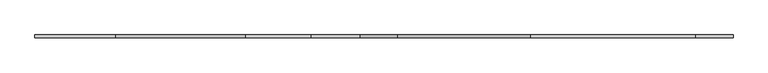
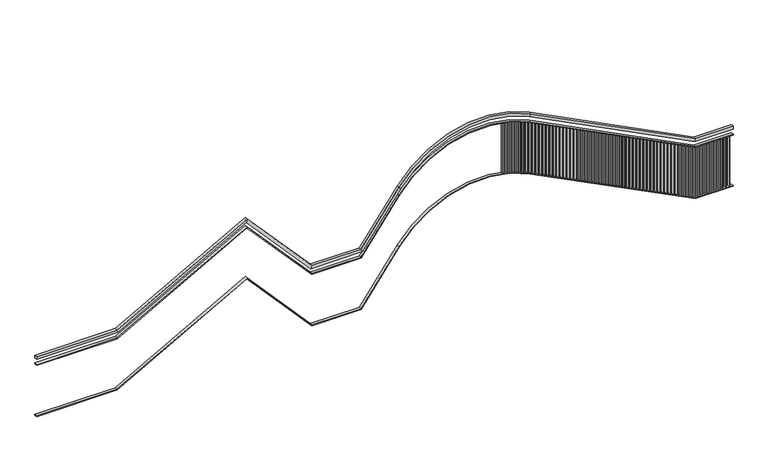
"""IFC4 building model written with IfcOpenShell, lengths in millimetres: railing geometry."""

from ifc_helpers import new_model, si_unit, frame, origin, place, context, project, spatial, polyline, circle_curve, outline, extrude, source, transform, mapped, element, save
from ifc_brep_helpers import plane_surface, cylinder_surface, revolved_surface, advanced_brep


def railing_bb928d6f(model_context):
    return source(origin(), model_context, "Body", "SolidModel", [
        advanced_brep(
        [(9000.0, 1210.0, 2000.0), (9000.0, 1250.0, 2000.0), (9000.0, 1250.0, 1960.0), (9000.0, 1210.0, 1960.0), (10155.0, 1210.0, 2000.0), (10155.0, 1250.0, 2000.0), (10165.3447034, 1250.0, 1960.0), (10165.3447034, 1210.0, 1960.0), (12021.9729306, 1210.0, 3034.8799943), (12021.9729306, 1250.0, 3034.8799943), (12013.5371583, 1250.0, 2984.4698066), (12013.5371583, 1210.0, 2984.4698066), (12953.7830628, 1210.0, 2000.0), (12953.7830628, 1250.0, 2000.0), (12935.9739154, 1250.0, 1960.0), (12935.9739154, 1210.0, 1960.0), (13653.7830628, 1210.0, 2000.0), (13653.7830628, 1250.0, 2000.0), (13674.1640808, 1250.0, 1960.0), (13674.1640808, 1210.0, 1960.0), (14199.2002139, 1210.0, 2750.7023058), (14199.2002139, 1250.0, 2750.7023058), (14231.5608936, 1250.0, 2727.1908957), (14231.5608936, 1210.0, 2727.1908957), (16093.711455, 1250.0, 3205.5342136), (16093.711455, 1210.0, 3205.5342136), (16075.551835, 1250.0, 3169.8939527), (16075.551835, 1210.0, 3169.8939527), (18459.7055674, 1210.0, 2000.0), (18459.7055674, 1250.0, 2000.0), (18450.1024171, 1250.0, 1960.0), (18450.1024171, 1210.0, 1960.0), (19000.0, 1210.0, 2000.0), (19000.0, 1210.0, 1960.0), (19000.0, 1250.0, 1960.0), (19000.0, 1250.0, 2000.0)],
        [
            (0, 1),
            (1, 2),
            (2, 3),
            (3, 0),
            (0, 4),
            (4, 5),
            (5, 1),
            (5, 6),
            (6, 2),
            (6, 7),
            (7, 3),
            (7, 4),
            (4, 8),
            (8, 9),
            (9, 5),
            (9, 10),
            (10, 6),
            (10, 11),
            (11, 7),
            (11, 8),
            (8, 12),
            (12, 13),
            (13, 9),
            (13, 14),
            (14, 10),
            (14, 15),
            (15, 11),
            (15, 12),
            (12, 16),
            (16, 17),
            (17, 13),
            (17, 18),
            (18, 14),
            (18, 19),
            (19, 15),
            (19, 16),
            (16, 20),
            (20, 21),
            (21, 17),
            (21, 22),
            (22, 18),
            (22, 23),
            (23, 19),
            (23, 20),
            (24, 21, circle_curve(frame((15412.7257054, 1250.0, 1869.0244273), z_axis=(0.0, -1.0, 0.0), x_axis=(-0.8090169943749365, 0.0, 0.5877852522924882)), 1500.0)),
            (20, 25, circle_curve(frame((15412.7257054, 1210.0, 1869.0244273), z_axis=(0.0, 1.0, 0.0), x_axis=(-0.8090169943749365, 0.0, 0.5877852522924882)), 1500.0)),
            (25, 24),
            (26, 22, circle_curve(frame((15412.7257054, 1250.0, 1869.0244273), z_axis=(0.0, -1.0, 0.0), x_axis=(-0.8090169943749365, 0.0, 0.5877852522924882)), 1460.0)),
            (24, 26),
            (27, 23, circle_curve(frame((15412.7257054, 1210.0, 1869.0244273), z_axis=(0.0, -1.0, 0.0), x_axis=(-0.8090169943749365, 0.0, 0.5877852522924882)), 1460.0)),
            (26, 27),
            (27, 25),
            (25, 28),
            (28, 29),
            (29, 24),
            (29, 30),
            (30, 26),
            (30, 31),
            (31, 27),
            (31, 28),
            (32, 33),
            (33, 34),
            (34, 35),
            (35, 32),
            (28, 32),
            (35, 29),
            (34, 30),
            (33, 31),
        ],
        [
            plane_surface(frame((9000.0, 1230.0, 2000.0), z_axis=(-1.0, 0.0, 0.0), x_axis=(0.0, 1.0, 0.0))),
            plane_surface(frame((9000.0, 1210.0, 2000.0), z_axis=(0.0, 0.0, 1.0), x_axis=(1.0, 0.0, 0.0))),
            plane_surface(frame((9000.0, 1250.0, 2000.0), z_axis=(0.0, 1.0, 0.0), x_axis=(1.0, 0.0, 0.0))),
            plane_surface(frame((9000.0, 1250.0, 1960.0), z_axis=(0.0, 0.0, -1.0), x_axis=(1.0, 0.0, 0.0))),
            plane_surface(frame((9000.0, 1210.0, 1960.0), z_axis=(0.0, -1.0, 0.0), x_axis=(1.0, 0.0, 0.0))),
            plane_surface(frame((10155.0, 1210.0, 2000.0), z_axis=(-0.48480962024633895, 0.0, 0.8746197071393947), x_axis=(0.8746197071393947, 0.0, 0.48480962024633895))),
            plane_surface(frame((10155.0, 1250.0, 2000.0), z_axis=(0.0, 1.0, 0.0), x_axis=(0.8746197071393949, 0.0, 0.4848096202463388))),
            plane_surface(frame((10165.3447034, 1250.0, 1960.0), z_axis=(0.48480962024633895, 0.0, -0.8746197071393947), x_axis=(0.8746197071393947, 0.0, 0.48480962024633895))),
            plane_surface(frame((10165.3447034, 1210.0, 1960.0), z_axis=(0.0, -1.0000000000000002, 0.0), x_axis=(0.8746197071393947, 0.0, 0.48480962024633906))),
            plane_surface(frame((12021.9729306, 1210.0, 3034.8799943), z_axis=(0.7431448254773932, 0.0, 0.6691306063588593), x_axis=(0.6691306063588593, 0.0, -0.7431448254773932))),
            plane_surface(frame((12021.9729306, 1250.0, 3034.8799943), z_axis=(0.0, 1.0, 0.0), x_axis=(0.6691306063588593, 0.0, -0.7431448254773932))),
            plane_surface(frame((12013.5371583, 1250.0, 2984.4698066), z_axis=(-0.7431448254773941, 0.0, -0.6691306063588585), x_axis=(0.6691306063588585, 0.0, -0.7431448254773941))),
            plane_surface(frame((12013.5371583, 1210.0, 2984.4698066), z_axis=(0.0, -1.0000000000000002, 0.0), x_axis=(0.6691306063588593, 0.0, -0.7431448254773934))),
            plane_surface(frame((12953.7830628, 1210.0, 2000.0), z_axis=(0.0, 0.0, 1.0), x_axis=(1.0, 0.0, 0.0))),
            plane_surface(frame((12953.7830628, 1250.0, 2000.0), z_axis=(0.0, 1.0, 0.0), x_axis=(1.0, 0.0, 0.0))),
            plane_surface(frame((12935.9739154, 1250.0, 1960.0), z_axis=(0.0, 0.0, -1.0), x_axis=(1.0, 0.0, 0.0))),
            plane_surface(frame((12935.9739154, 1210.0, 1960.0), z_axis=(0.0, -1.0, 0.0), x_axis=(1.0, 0.0, 0.0))),
            plane_surface(frame((13653.7830628, 1210.0, 2000.0), z_axis=(-0.8090169943749481, 0.0, 0.5877852522924724), x_axis=(0.5877852522924724, 0.0, 0.8090169943749481))),
            plane_surface(frame((13653.7830628, 1250.0, 2000.0), z_axis=(0.0, 1.0, 0.0), x_axis=(0.5877852522924721, 0.0, 0.8090169943749481))),
            plane_surface(frame((13674.1640808, 1250.0, 1960.0), z_axis=(0.8090169943749488, 0.0, -0.5877852522924712), x_axis=(0.5877852522924712, 0.0, 0.8090169943749488))),
            plane_surface(frame((13674.1640808, 1210.0, 1960.0), z_axis=(0.0, -1.0, 0.0), x_axis=(0.5877852522924726, 0.0, 0.8090169943749478))),
            cylinder_surface(frame((15412.7257054, 1230.0, 1869.0244273), z_axis=(0.0, 1.0, 0.0), x_axis=(-0.8090169943749365, 0.0, 0.5877852522924882)), 1500.0),
            plane_surface(frame((15412.7257054, 1250.0, 1869.0244273), z_axis=(0.0, 1.0, 0.0), x_axis=(-0.8090169943749365, 0.0, 0.5877852522924882))),
            revolved_surface(polyline([(14231.560893612594, 1250.0, 2727.190895647033), (14231.560893612594, 1210.0, 2727.190895647033)]), (15412.7257054, 1230.0, 1869.0244273), (0.0, 1.0, 0.0)),
            plane_surface(frame((15412.7257054, 1210.0, 1869.0244273), z_axis=(0.0, -1.0, 0.0), x_axis=(-0.8090169943749365, 0.0, 0.5877852522924882))),
            plane_surface(frame((16093.711455, 1210.0, 3205.5342136), z_axis=(0.4539904997395483, 0.0, 0.8910065241883671), x_axis=(0.8910065241883671, 0.0, -0.4539904997395483))),
            plane_surface(frame((16093.711455, 1250.0, 3205.5342136), z_axis=(0.0, 1.0000000000000002, 0.0), x_axis=(0.8910065241883672, 0.0, -0.4539904997395482))),
            plane_surface(frame((16075.551835, 1250.0, 3169.8939527), z_axis=(-0.45399049973954847, 0.0, -0.891006524188367), x_axis=(0.891006524188367, 0.0, -0.45399049973954847))),
            plane_surface(frame((16075.551835, 1210.0, 3169.8939527), z_axis=(0.0, -1.0, 0.0), x_axis=(0.891006524188367, 0.0, -0.45399049973954847))),
            plane_surface(frame((19000.0, 1230.0, 2000.0), z_axis=(1.0, 0.0, 0.0), x_axis=(0.0, 1.0, 0.0))),
            plane_surface(frame((18459.7055674, 1210.0, 2000.0), z_axis=(0.0, 0.0, 1.0), x_axis=(1.0, 0.0, 0.0))),
            plane_surface(frame((18459.7055674, 1250.0, 2000.0), z_axis=(0.0, 1.0, 0.0), x_axis=(1.0, 0.0, 0.0))),
            plane_surface(frame((18450.1024171, 1250.0, 1960.0), z_axis=(0.0, 0.0, -1.0), x_axis=(1.0, 0.0, 0.0))),
            plane_surface(frame((18450.1024171, 1210.0, 1960.0), z_axis=(0.0, -1.0, 0.0), x_axis=(1.0, 0.0, 0.0))),
        ],
        [
            (0, [[1, 2, 3, 4]]),
            (1, [[-1, 5, 6, 7]]),
            (2, [[-2, -7, 8, 9]]),
            (3, [[-3, -9, 10, 11]]),
            (4, [[-4, -11, 12, -5]]),
            (5, [[-6, 13, 14, 15]]),
            (6, [[-8, -15, 16, 17]]),
            (7, [[-10, -17, 18, 19]]),
            (8, [[-12, -19, 20, -13]]),
            (9, [[-14, 21, 22, 23]]),
            (10, [[-16, -23, 24, 25]]),
            (11, [[-18, -25, 26, 27]]),
            (12, [[-20, -27, 28, -21]]),
            (13, [[-22, 29, 30, 31]]),
            (14, [[-24, -31, 32, 33]]),
            (15, [[-26, -33, 34, 35]]),
            (16, [[-28, -35, 36, -29]]),
            (17, [[-30, 37, 38, 39]]),
            (18, [[-32, -39, 40, 41]]),
            (19, [[-34, -41, 42, 43]]),
            (20, [[-36, -43, 44, -37]]),
            (21, [[45, -38, 46, 47]]),
            (22, [[48, -40, -45, 49]]),
            (23, [[50, -42, -48, 51]]),
            (24, [[-46, -44, -50, 52]]),
            (25, [[-47, 53, 54, 55]]),
            (26, [[-49, -55, 56, 57]]),
            (27, [[-51, -57, 58, 59]]),
            (28, [[-52, -59, 60, -53]]),
            (29, [[61, 62, 63, 64]]),
            (30, [[-54, 65, -64, 66]]),
            (31, [[-56, -66, -63, 67]]),
            (32, [[-58, -67, -62, 68]]),
            (33, [[-60, -68, -61, -65]]),
        ],
    ),
        advanced_brep(
        [(9000.0, 1210.0, 1880.0), (9000.0, 1250.0, 1880.0), (9000.0, 1250.0, 1870.0), (9000.0, 1210.0, 1870.0), (10155.0, 1210.0, 1880.0), (10155.0, 1250.0, 1880.0), (10157.5861758, 1250.0, 1870.0), (10157.5861758, 1210.0, 1870.0), (12021.9729306, 1210.0, 2914.8799943), (12021.9729306, 1250.0, 2914.8799943), (12019.8639876, 1250.0, 2902.2774474), (12019.8639876, 1210.0, 2902.2774474), (12953.7830628, 1210.0, 1880.0), (12953.7830628, 1250.0, 1880.0), (12949.330776, 1250.0, 1870.0), (12949.330776, 1210.0, 1870.0), (13653.7830628, 1210.0, 1880.0), (13653.7830628, 1250.0, 1880.0), (13658.8783173, 1250.0, 1870.0), (13658.8783173, 1210.0, 1870.0), (14199.2002139, 1210.0, 2630.7023058), (14199.2002139, 1250.0, 2630.7023058), (14207.2903838, 1250.0, 2624.8244533), (14207.2903838, 1210.0, 2624.8244533), (16093.711455, 1250.0, 3085.5342136), (16093.711455, 1210.0, 3085.5342136), (16089.17155, 1250.0, 3076.6241484), (16089.17155, 1210.0, 3076.6241484), (18459.7055674, 1210.0, 1880.0), (18459.7055674, 1250.0, 1880.0), (18457.3047798, 1250.0, 1870.0), (18457.3047798, 1210.0, 1870.0), (19000.0, 1210.0, 1880.0), (19000.0, 1210.0, 1870.0), (19000.0, 1250.0, 1870.0), (19000.0, 1250.0, 1880.0)],
        [
            (0, 1),
            (1, 2),
            (2, 3),
            (3, 0),
            (0, 4),
            (4, 5),
            (5, 1),
            (5, 6),
            (6, 2),
            (6, 7),
            (7, 3),
            (7, 4),
            (4, 8),
            (8, 9),
            (9, 5),
            (9, 10),
            (10, 6),
            (10, 11),
            (11, 7),
            (11, 8),
            (8, 12),
            (12, 13),
            (13, 9),
            (13, 14),
            (14, 10),
            (14, 15),
            (15, 11),
            (15, 12),
            (12, 16),
            (16, 17),
            (17, 13),
            (17, 18),
            (18, 14),
            (18, 19),
            (19, 15),
            (19, 16),
            (16, 20),
            (20, 21),
            (21, 17),
            (21, 22),
            (22, 18),
            (22, 23),
            (23, 19),
            (23, 20),
            (24, 21, circle_curve(frame((15412.7257054, 1250.0, 1749.0244273), z_axis=(0.0, -1.0, 0.0), x_axis=(-0.8090169943749365, 0.0, 0.5877852522924882)), 1500.0)),
            (20, 25, circle_curve(frame((15412.7257054, 1210.0, 1749.0244273), z_axis=(0.0, 1.0, 0.0), x_axis=(-0.8090169943749365, 0.0, 0.5877852522924882)), 1500.0)),
            (25, 24),
            (26, 22, circle_curve(frame((15412.7257054, 1250.0, 1749.0244273), z_axis=(0.0, -1.0, 0.0), x_axis=(-0.8090169943749365, 0.0, 0.5877852522924882)), 1490.0)),
            (24, 26),
            (27, 23, circle_curve(frame((15412.7257054, 1210.0, 1749.0244273), z_axis=(0.0, -1.0, 0.0), x_axis=(-0.8090169943749365, 0.0, 0.5877852522924882)), 1490.0)),
            (26, 27),
            (27, 25),
            (25, 28),
            (28, 29),
            (29, 24),
            (29, 30),
            (30, 26),
            (30, 31),
            (31, 27),
            (31, 28),
            (32, 33),
            (33, 34),
            (34, 35),
            (35, 32),
            (28, 32),
            (35, 29),
            (34, 30),
            (33, 31),
        ],
        [
            plane_surface(frame((9000.0, 1230.0, 1880.0), z_axis=(-1.0, 0.0, 0.0), x_axis=(0.0, 1.0, 0.0))),
            plane_surface(frame((9000.0, 1210.0, 1880.0), z_axis=(0.0, 0.0, 1.0), x_axis=(1.0, 0.0, 0.0))),
            plane_surface(frame((9000.0, 1250.0, 1880.0), z_axis=(0.0, 1.0, 0.0), x_axis=(1.0, 0.0, 0.0))),
            plane_surface(frame((9000.0, 1250.0, 1870.0), z_axis=(0.0, 0.0, -1.0), x_axis=(1.0, 0.0, 0.0))),
            plane_surface(frame((9000.0, 1210.0, 1870.0), z_axis=(0.0, -1.0, 0.0), x_axis=(1.0, 0.0, 0.0))),
            plane_surface(frame((10155.0, 1210.0, 1880.0), z_axis=(-0.4848096202463389, 0.0, 0.8746197071393949), x_axis=(0.8746197071393949, 0.0, 0.4848096202463389))),
            plane_surface(frame((10155.0, 1250.0, 1880.0), z_axis=(0.0, 1.0, 0.0), x_axis=(0.8746197071393949, 0.0, 0.4848096202463388))),
            plane_surface(frame((10157.5861758, 1250.0, 1870.0), z_axis=(0.48480962024633883, 0.0, -0.8746197071393949), x_axis=(0.8746197071393949, 0.0, 0.48480962024633883))),
            plane_surface(frame((10157.5861758, 1210.0, 1870.0), z_axis=(0.0, -1.0, 0.0), x_axis=(0.8746197071393949, 0.0, 0.48480962024633883))),
            plane_surface(frame((12021.9729306, 1210.0, 2914.8799943), z_axis=(0.7431448254773936, 0.0, 0.669130606358859), x_axis=(0.669130606358859, 0.0, -0.7431448254773936))),
            plane_surface(frame((12021.9729306, 1250.0, 2914.8799943), z_axis=(0.0, 1.0, 0.0), x_axis=(0.669130606358859, 0.0, -0.7431448254773936))),
            plane_surface(frame((12019.8639876, 1250.0, 2902.2774474), z_axis=(-0.7431448254773929, 0.0, -0.6691306063588598), x_axis=(0.6691306063588598, 0.0, -0.7431448254773929))),
            plane_surface(frame((12019.8639876, 1210.0, 2902.2774474), z_axis=(0.0, -1.0, 0.0), x_axis=(0.66913060635886, 0.0, -0.7431448254773927))),
            plane_surface(frame((12953.7830628, 1210.0, 1880.0), z_axis=(0.0, 0.0, 1.0), x_axis=(1.0, 0.0, 0.0))),
            plane_surface(frame((12953.7830628, 1250.0, 1880.0), z_axis=(0.0, 1.0, 0.0), x_axis=(1.0, 0.0, 0.0))),
            plane_surface(frame((12949.330776, 1250.0, 1870.0), z_axis=(0.0, 0.0, -1.0), x_axis=(1.0, 0.0, 0.0))),
            plane_surface(frame((12949.330776, 1210.0, 1870.0), z_axis=(0.0, -1.0, 0.0), x_axis=(1.0, 0.0, 0.0))),
            plane_surface(frame((13653.7830628, 1210.0, 1880.0), z_axis=(-0.8090169943749481, 0.0, 0.5877852522924721), x_axis=(0.5877852522924721, 0.0, 0.8090169943749481))),
            plane_surface(frame((13653.7830628, 1250.0, 1880.0), z_axis=(0.0, 1.0, 0.0), x_axis=(0.5877852522924719, 0.0, 0.8090169943749482))),
            plane_surface(frame((13658.8783173, 1250.0, 1870.0), z_axis=(0.809016994374948, 0.0, -0.5877852522924725), x_axis=(0.5877852522924725, 0.0, 0.809016994374948))),
            plane_surface(frame((13658.8783173, 1210.0, 1870.0), z_axis=(0.0, -1.0, 0.0), x_axis=(0.5877852522924709, 0.0, 0.809016994374949))),
            cylinder_surface(frame((15412.7257054, 1230.0, 1749.0244273), z_axis=(0.0, 1.0, 0.0), x_axis=(-0.8090169943749365, 0.0, 0.5877852522924882)), 1500.0),
            plane_surface(frame((15412.7257054, 1250.0, 1749.0244273), z_axis=(0.0, 1.0, 0.0), x_axis=(-0.8090169943749365, 0.0, 0.5877852522924882))),
            revolved_surface(polyline([(14207.290383781345, 1250.0, 2624.824453215808), (14207.290383781345, 1210.0, 2624.824453215808)]), (15412.7257054, 1230.0, 1749.0244273), (0.0, 1.0, 0.0)),
            plane_surface(frame((15412.7257054, 1210.0, 1749.0244273), z_axis=(0.0, -1.0, 0.0), x_axis=(-0.8090169943749365, 0.0, 0.5877852522924882))),
            plane_surface(frame((16093.711455, 1210.0, 3085.5342136), z_axis=(0.4539904997395484, 0.0, 0.8910065241883671), x_axis=(0.8910065241883671, 0.0, -0.4539904997395484))),
            plane_surface(frame((16093.711455, 1250.0, 3085.5342136), z_axis=(0.0, 1.0, 0.0), x_axis=(0.8910065241883673, 0.0, -0.45399049973954786))),
            plane_surface(frame((16089.17155, 1250.0, 3076.6241484), z_axis=(-0.45399049973954847, 0.0, -0.8910065241883671), x_axis=(0.8910065241883671, 0.0, -0.45399049973954847))),
            plane_surface(frame((16089.17155, 1210.0, 3076.6241484), z_axis=(0.0, -1.0, 0.0), x_axis=(0.8910065241883669, 0.0, -0.4539904997395486))),
            plane_surface(frame((19000.0, 1230.0, 1880.0), z_axis=(1.0, 0.0, 0.0), x_axis=(0.0, 1.0, 0.0))),
            plane_surface(frame((18459.7055674, 1210.0, 1880.0), z_axis=(0.0, 0.0, 1.0), x_axis=(1.0, 0.0, 0.0))),
            plane_surface(frame((18459.7055674, 1250.0, 1880.0), z_axis=(0.0, 1.0, 0.0), x_axis=(1.0, 0.0, 0.0))),
            plane_surface(frame((18457.3047798, 1250.0, 1870.0), z_axis=(0.0, 0.0, -1.0), x_axis=(1.0, 0.0, 0.0))),
            plane_surface(frame((18457.3047798, 1210.0, 1870.0), z_axis=(0.0, -1.0, 0.0), x_axis=(1.0, 0.0, 0.0))),
        ],
        [
            (0, [[1, 2, 3, 4]]),
            (1, [[-1, 5, 6, 7]]),
            (2, [[-2, -7, 8, 9]]),
            (3, [[-3, -9, 10, 11]]),
            (4, [[-4, -11, 12, -5]]),
            (5, [[-6, 13, 14, 15]]),
            (6, [[-8, -15, 16, 17]]),
            (7, [[-10, -17, 18, 19]]),
            (8, [[-12, -19, 20, -13]]),
            (9, [[-14, 21, 22, 23]]),
            (10, [[-16, -23, 24, 25]]),
            (11, [[-18, -25, 26, 27]]),
            (12, [[-20, -27, 28, -21]]),
            (13, [[-22, 29, 30, 31]]),
            (14, [[-24, -31, 32, 33]]),
            (15, [[-26, -33, 34, 35]]),
            (16, [[-28, -35, 36, -29]]),
            (17, [[-30, 37, 38, 39]]),
            (18, [[-32, -39, 40, 41]]),
            (19, [[-34, -41, 42, 43]]),
            (20, [[-36, -43, 44, -37]]),
            (21, [[45, -38, 46, 47]]),
            (22, [[48, -40, -45, 49]]),
            (23, [[50, -42, -48, 51]]),
            (24, [[-46, -44, -50, 52]]),
            (25, [[-47, 53, 54, 55]]),
            (26, [[-49, -55, 56, 57]]),
            (27, [[-51, -57, 58, 59]]),
            (28, [[-52, -59, 60, -53]]),
            (29, [[61, 62, 63, 64]]),
            (30, [[-54, 65, -64, 66]]),
            (31, [[-56, -66, -63, 67]]),
            (32, [[-58, -67, -62, 68]]),
            (33, [[-60, -68, -61, -65]]),
        ],
    ),
        advanced_brep(
        [(9000.0, 1210.0, 1100.0), (9000.0, 1250.0, 1100.0), (9000.0, 1250.0, 1090.0), (9000.0, 1210.0, 1090.0), (10155.0, 1210.0, 1100.0), (10155.0, 1250.0, 1100.0), (10157.5861758, 1250.0, 1090.0), (10157.5861758, 1210.0, 1090.0), (12021.9729306, 1210.0, 2134.8799943), (12021.9729306, 1250.0, 2134.8799943), (12019.8639876, 1250.0, 2122.2774474), (12019.8639876, 1210.0, 2122.2774474), (12953.7830628, 1210.0, 1100.0), (12953.7830628, 1250.0, 1100.0), (12949.330776, 1250.0, 1090.0), (12949.330776, 1210.0, 1090.0), (13653.7830628, 1210.0, 1100.0), (13653.7830628, 1250.0, 1100.0), (13658.8783173, 1250.0, 1090.0), (13658.8783173, 1210.0, 1090.0), (14199.2002139, 1210.0, 1850.7023058), (14199.2002139, 1250.0, 1850.7023058), (14207.2903838, 1250.0, 1844.8244533), (14207.2903838, 1210.0, 1844.8244533), (16093.711455, 1250.0, 2305.5342136), (16093.711455, 1210.0, 2305.5342136), (16089.17155, 1250.0, 2296.6241484), (16089.17155, 1210.0, 2296.6241484), (18459.7055674, 1210.0, 1100.0), (18459.7055674, 1250.0, 1100.0), (18457.3047798, 1250.0, 1090.0), (18457.3047798, 1210.0, 1090.0), (19000.0, 1210.0, 1100.0), (19000.0, 1210.0, 1090.0), (19000.0, 1250.0, 1090.0), (19000.0, 1250.0, 1100.0)],
        [
            (0, 1),
            (1, 2),
            (2, 3),
            (3, 0),
            (0, 4),
            (4, 5),
            (5, 1),
            (5, 6),
            (6, 2),
            (6, 7),
            (7, 3),
            (7, 4),
            (4, 8),
            (8, 9),
            (9, 5),
            (9, 10),
            (10, 6),
            (10, 11),
            (11, 7),
            (11, 8),
            (8, 12),
            (12, 13),
            (13, 9),
            (13, 14),
            (14, 10),
            (14, 15),
            (15, 11),
            (15, 12),
            (12, 16),
            (16, 17),
            (17, 13),
            (17, 18),
            (18, 14),
            (18, 19),
            (19, 15),
            (19, 16),
            (16, 20),
            (20, 21),
            (21, 17),
            (21, 22),
            (22, 18),
            (22, 23),
            (23, 19),
            (23, 20),
            (24, 21, circle_curve(frame((15412.7257054, 1250.0, 969.0244273), z_axis=(0.0, -1.0, 0.0), x_axis=(-0.8090169943749365, 0.0, 0.5877852522924882)), 1500.0)),
            (20, 25, circle_curve(frame((15412.7257054, 1210.0, 969.0244273), z_axis=(0.0, 1.0, 0.0), x_axis=(-0.8090169943749365, 0.0, 0.5877852522924882)), 1500.0)),
            (25, 24),
            (26, 22, circle_curve(frame((15412.7257054, 1250.0, 969.0244273), z_axis=(0.0, -1.0, 0.0), x_axis=(-0.8090169943749365, 0.0, 0.5877852522924882)), 1490.0)),
            (24, 26),
            (27, 23, circle_curve(frame((15412.7257054, 1210.0, 969.0244273), z_axis=(0.0, -1.0, 0.0), x_axis=(-0.8090169943749365, 0.0, 0.5877852522924882)), 1490.0)),
            (26, 27),
            (27, 25),
            (25, 28),
            (28, 29),
            (29, 24),
            (29, 30),
            (30, 26),
            (30, 31),
            (31, 27),
            (31, 28),
            (32, 33),
            (33, 34),
            (34, 35),
            (35, 32),
            (28, 32),
            (35, 29),
            (34, 30),
            (33, 31),
        ],
        [
            plane_surface(frame((9000.0, 1230.0, 1100.0), z_axis=(-1.0, 0.0, 0.0), x_axis=(0.0, 1.0, 0.0))),
            plane_surface(frame((9000.0, 1210.0, 1100.0), z_axis=(0.0, 0.0, 1.0), x_axis=(1.0, 0.0, 0.0))),
            plane_surface(frame((9000.0, 1250.0, 1100.0), z_axis=(0.0, 1.0, 0.0), x_axis=(1.0, 0.0, 0.0))),
            plane_surface(frame((9000.0, 1250.0, 1090.0), z_axis=(0.0, 0.0, -1.0), x_axis=(1.0, 0.0, 0.0))),
            plane_surface(frame((9000.0, 1210.0, 1090.0), z_axis=(0.0, -1.0, 0.0), x_axis=(1.0, 0.0, 0.0))),
            plane_surface(frame((10155.0, 1210.0, 1100.0), z_axis=(-0.4848096202463389, 0.0, 0.8746197071393947), x_axis=(0.8746197071393947, 0.0, 0.4848096202463389))),
            plane_surface(frame((10155.0, 1250.0, 1100.0), z_axis=(0.0, 1.0, 0.0), x_axis=(0.8746197071393947, 0.0, 0.4848096202463389))),
            plane_surface(frame((10157.5861758, 1250.0, 1090.0), z_axis=(0.4848096202463389, 0.0, -0.8746197071393947), x_axis=(0.8746197071393947, 0.0, 0.4848096202463389))),
            plane_surface(frame((10157.5861758, 1210.0, 1090.0), z_axis=(0.0, -1.0, 0.0), x_axis=(0.8746197071393949, 0.0, 0.48480962024633883))),
            plane_surface(frame((12021.9729306, 1210.0, 2134.8799943), z_axis=(0.7431448254773931, 0.0, 0.6691306063588595), x_axis=(0.6691306063588595, 0.0, -0.7431448254773931))),
            plane_surface(frame((12021.9729306, 1250.0, 2134.8799943), z_axis=(0.0, 1.0, 0.0), x_axis=(0.6691306063588591, 0.0, -0.7431448254773935))),
            plane_surface(frame((12019.8639876, 1250.0, 2122.2774474), z_axis=(-0.7431448254773928, 0.0, -0.6691306063588599), x_axis=(0.6691306063588599, 0.0, -0.7431448254773928))),
            plane_surface(frame((12019.8639876, 1210.0, 2122.2774474), z_axis=(0.0, -1.0, 0.0), x_axis=(0.6691306063588591, 0.0, -0.7431448254773935))),
            plane_surface(frame((12953.7830628, 1210.0, 1100.0), z_axis=(0.0, 0.0, 1.0), x_axis=(1.0, 0.0, 0.0))),
            plane_surface(frame((12953.7830628, 1250.0, 1100.0), z_axis=(0.0, 1.0, 0.0), x_axis=(1.0, 0.0, 0.0))),
            plane_surface(frame((12949.330776, 1250.0, 1090.0), z_axis=(0.0, 0.0, -1.0), x_axis=(1.0, 0.0, 0.0))),
            plane_surface(frame((12949.330776, 1210.0, 1090.0), z_axis=(0.0, -1.0, 0.0), x_axis=(1.0, 0.0, 0.0))),
            plane_surface(frame((13653.7830628, 1210.0, 1100.0), z_axis=(-0.8090169943749486, 0.0, 0.5877852522924716), x_axis=(0.5877852522924716, 0.0, 0.8090169943749486))),
            plane_surface(frame((13653.7830628, 1250.0, 1100.0), z_axis=(0.0, 1.0, 0.0), x_axis=(0.5877852522924719, 0.0, 0.8090169943749483))),
            plane_surface(frame((13658.8783173, 1250.0, 1090.0), z_axis=(0.8090169943749491, 0.0, -0.5877852522924707), x_axis=(0.5877852522924707, 0.0, 0.8090169943749491))),
            plane_surface(frame((13658.8783173, 1210.0, 1090.0), z_axis=(0.0, -1.0, 0.0), x_axis=(0.5877852522924724, 0.0, 0.809016994374948))),
            cylinder_surface(frame((15412.7257054, 1230.0, 969.0244273), z_axis=(0.0, 1.0, 0.0), x_axis=(-0.8090169943749365, 0.0, 0.5877852522924882)), 1500.0),
            plane_surface(frame((15412.7257054, 1250.0, 969.0244273), z_axis=(0.0, 1.0, 0.0), x_axis=(-0.8090169943749365, 0.0, 0.5877852522924882))),
            revolved_surface(polyline([(14207.290383781345, 1250.0, 1844.8244532158074), (14207.290383781345, 1210.0, 1844.8244532158074)]), (15412.7257054, 1230.0, 969.0244273), (0.0, 1.0, 0.0)),
            plane_surface(frame((15412.7257054, 1210.0, 969.0244273), z_axis=(0.0, -1.0, 0.0), x_axis=(-0.8090169943749365, 0.0, 0.5877852522924882))),
            plane_surface(frame((16093.711455, 1210.0, 2305.5342136), z_axis=(0.45399049973954825, 0.0, 0.8910065241883672), x_axis=(0.8910065241883672, 0.0, -0.45399049973954825))),
            plane_surface(frame((16093.711455, 1250.0, 2305.5342136), z_axis=(0.0, 1.0000000000000002, 0.0), x_axis=(0.8910065241883671, 0.0, -0.4539904997395484))),
            plane_surface(frame((16089.17155, 1250.0, 2296.6241484), z_axis=(-0.4539904997395482, 0.0, -0.8910065241883671), x_axis=(0.8910065241883671, 0.0, -0.4539904997395482))),
            plane_surface(frame((16089.17155, 1210.0, 2296.6241484), z_axis=(0.0, -1.0, 0.0), x_axis=(0.891006524188367, 0.0, -0.4539904997395485))),
            plane_surface(frame((19000.0, 1230.0, 1100.0), z_axis=(1.0, 0.0, 0.0), x_axis=(0.0, 1.0, 0.0))),
            plane_surface(frame((18459.7055674, 1210.0, 1100.0), z_axis=(0.0, 0.0, 1.0), x_axis=(1.0, 0.0, 0.0))),
            plane_surface(frame((18459.7055674, 1250.0, 1100.0), z_axis=(0.0, 1.0, 0.0), x_axis=(1.0, 0.0, 0.0))),
            plane_surface(frame((18457.3047798, 1250.0, 1090.0), z_axis=(0.0, 0.0, -1.0), x_axis=(1.0, 0.0, 0.0))),
            plane_surface(frame((18457.3047798, 1210.0, 1090.0), z_axis=(0.0, -1.0, 0.0), x_axis=(1.0, 0.0, 0.0))),
        ],
        [
            (0, [[1, 2, 3, 4]]),
            (1, [[-1, 5, 6, 7]]),
            (2, [[-2, -7, 8, 9]]),
            (3, [[-3, -9, 10, 11]]),
            (4, [[-4, -11, 12, -5]]),
            (5, [[-6, 13, 14, 15]]),
            (6, [[-8, -15, 16, 17]]),
            (7, [[-10, -17, 18, 19]]),
            (8, [[-12, -19, 20, -13]]),
            (9, [[-14, 21, 22, 23]]),
            (10, [[-16, -23, 24, 25]]),
            (11, [[-18, -25, 26, 27]]),
            (12, [[-20, -27, 28, -21]]),
            (13, [[-22, 29, 30, 31]]),
            (14, [[-24, -31, 32, 33]]),
            (15, [[-26, -33, 34, 35]]),
            (16, [[-28, -35, 36, -29]]),
            (17, [[-30, 37, 38, 39]]),
            (18, [[-32, -39, 40, 41]]),
            (19, [[-34, -41, 42, 43]]),
            (20, [[-36, -43, 44, -37]]),
            (21, [[45, -38, 46, 47]]),
            (22, [[48, -40, -45, 49]]),
            (23, [[50, -42, -48, 51]]),
            (24, [[-46, -44, -50, 52]]),
            (25, [[-47, 53, 54, 55]]),
            (26, [[-49, -55, 56, 57]]),
            (27, [[-51, -57, 58, 59]]),
            (28, [[-52, -59, 60, -53]]),
            (29, [[61, 62, 63, 64]]),
            (30, [[-54, 65, -64, 66]]),
            (31, [[-56, -66, -63, 67]]),
            (32, [[-58, -67, -62, 68]]),
            (33, [[-60, -68, -61, -65]]),
        ],
    ),
        extrude(outline(polyline([(18945.0, 1210.0), (18945.0, 1250.0), (18955.0, 1250.0), (18955.0, 1210.0), (18945.0, 1210.0)])), frame((0.0, 0.0, 1100.0), z_axis=(0.0, 0.0, 1.0), x_axis=(1.0, 0.0, 0.0)), (0.0, 0.0, 1.0), 770.0),
        extrude(outline(polyline([(18895.0, 1210.0), (18895.0, 1250.0), (18905.0, 1250.0), (18905.0, 1210.0), (18895.0, 1210.0)])), frame((0.0, 0.0, 1100.0), z_axis=(0.0, 0.0, 1.0), x_axis=(1.0, 0.0, 0.0)), (0.0, 0.0, 1.0), 770.0),
        extrude(outline(polyline([(18845.0, 1210.0), (18845.0, 1250.0), (18855.0, 1250.0), (18855.0, 1210.0), (18845.0, 1210.0)])), frame((0.0, 0.0, 1100.0), z_axis=(0.0, 0.0, 1.0), x_axis=(1.0, 0.0, 0.0)), (0.0, 0.0, 1.0), 770.0),
        extrude(outline(polyline([(18795.0, 1210.0), (18795.0, 1250.0), (18805.0, 1250.0), (18805.0, 1210.0), (18795.0, 1210.0)])), frame((0.0, 0.0, 1100.0), z_axis=(0.0, 0.0, 1.0), x_axis=(1.0, 0.0, 0.0)), (0.0, 0.0, 1.0), 770.0),
        extrude(outline(polyline([(18745.0, 1210.0), (18745.0, 1250.0), (18755.0, 1250.0), (18755.0, 1210.0), (18745.0, 1210.0)])), frame((0.0, 0.0, 1100.0), z_axis=(0.0, 0.0, 1.0), x_axis=(1.0, 0.0, 0.0)), (0.0, 0.0, 1.0), 770.0),
        extrude(outline(polyline([(18695.0, 1210.0), (18695.0, 1250.0), (18705.0, 1250.0), (18705.0, 1210.0), (18695.0, 1210.0)])), frame((0.0, 0.0, 1100.0), z_axis=(0.0, 0.0, 1.0), x_axis=(1.0, 0.0, 0.0)), (0.0, 0.0, 1.0), 770.0),
        extrude(outline(polyline([(18645.0, 1210.0), (18645.0, 1250.0), (18655.0, 1250.0), (18655.0, 1210.0), (18645.0, 1210.0)])), frame((0.0, 0.0, 1100.0), z_axis=(0.0, 0.0, 1.0), x_axis=(1.0, 0.0, 0.0)), (0.0, 0.0, 1.0), 770.0),
        extrude(outline(polyline([(18595.0, 1210.0), (18595.0, 1250.0), (18605.0, 1250.0), (18605.0, 1210.0), (18595.0, 1210.0)])), frame((0.0, 0.0, 1100.0), z_axis=(0.0, 0.0, 1.0), x_axis=(1.0, 0.0, 0.0)), (0.0, 0.0, 1.0), 770.0),
        extrude(outline(polyline([(18545.0, 1210.0), (18545.0, 1250.0), (18555.0, 1250.0), (18555.0, 1210.0), (18545.0, 1210.0)])), frame((0.0, 0.0, 1100.0), z_axis=(0.0, 0.0, 1.0), x_axis=(1.0, 0.0, 0.0)), (0.0, 0.0, 1.0), 770.0),
        extrude(outline(polyline([(18495.0, 1210.0), (18495.0, 1250.0), (18505.0, 1250.0), (18505.0, 1210.0), (18495.0, 1210.0)])), frame((0.0, 0.0, 1100.0), z_axis=(0.0, 0.0, 1.0), x_axis=(1.0, 0.0, 0.0)), (0.0, 0.0, 1.0), 770.0),
        extrude(outline(polyline([(1877.4928609, 18445.0), (1107.4928609, 18445.0), (1102.3976064, 18455.0), (1872.3976064, 18455.0), (1877.4928609, 18445.0)])), frame((0.0, 1210.0, 0.0), z_axis=(0.0, 1.0, 0.0), x_axis=(0.0, 0.0, 1.0)), (0.0, 0.0, 1.0), 40.0),
        extrude(outline(polyline([(1902.9691333, 18395.0), (1132.9691333, 18395.0), (1127.8738788, 18405.0), (1897.8738788, 18405.0), (1902.9691333, 18395.0)])), frame((0.0, 1210.0, 0.0), z_axis=(0.0, 1.0, 0.0), x_axis=(0.0, 0.0, 1.0)), (0.0, 0.0, 1.0), 40.0),
        extrude(outline(polyline([(1928.4454058, 18345.0), (1158.4454058, 18345.0), (1153.3501513, 18355.0), (1923.3501513, 18355.0), (1928.4454058, 18345.0)])), frame((0.0, 1210.0, 0.0), z_axis=(0.0, 1.0, 0.0), x_axis=(0.0, 0.0, 1.0)), (0.0, 0.0, 1.0), 40.0),
        extrude(outline(polyline([(1953.9216783, 18295.0), (1183.9216783, 18295.0), (1178.8264238, 18305.0), (1948.8264238, 18305.0), (1953.9216783, 18295.0)])), frame((0.0, 1210.0, 0.0), z_axis=(0.0, 1.0, 0.0), x_axis=(0.0, 0.0, 1.0)), (0.0, 0.0, 1.0), 40.0),
        extrude(outline(polyline([(1979.3979508, 18245.0), (1209.3979508, 18245.0), (1204.3026963, 18255.0), (1974.3026963, 18255.0), (1979.3979508, 18245.0)])), frame((0.0, 1210.0, 0.0), z_axis=(0.0, 1.0, 0.0), x_axis=(0.0, 0.0, 1.0)), (0.0, 0.0, 1.0), 40.0),
        extrude(outline(polyline([(2004.8742232, 18195.0), (1234.8742232, 18195.0), (1229.7789687, 18205.0), (1999.7789687, 18205.0), (2004.8742232, 18195.0)])), frame((0.0, 1210.0, 0.0), z_axis=(0.0, 1.0, 0.0), x_axis=(0.0, 0.0, 1.0)), (0.0, 0.0, 1.0), 40.0),
        extrude(outline(polyline([(2030.3504957, 18145.0), (1260.3504957, 18145.0), (1255.2552412, 18155.0), (2025.2552412, 18155.0), (2030.3504957, 18145.0)])), frame((0.0, 1210.0, 0.0), z_axis=(0.0, 1.0, 0.0), x_axis=(0.0, 0.0, 1.0)), (0.0, 0.0, 1.0), 40.0),
        extrude(outline(polyline([(2055.8267682, 18095.0), (1285.8267682, 18095.0), (1280.7315137, 18105.0), (2050.7315137, 18105.0), (2055.8267682, 18095.0)])), frame((0.0, 1210.0, 0.0), z_axis=(0.0, 1.0, 0.0), x_axis=(0.0, 0.0, 1.0)), (0.0, 0.0, 1.0), 40.0),
        extrude(outline(polyline([(2081.3030407, 18045.0), (1311.3030407, 18045.0), (1306.2077862, 18055.0), (2076.2077862, 18055.0), (2081.3030407, 18045.0)])), frame((0.0, 1210.0, 0.0), z_axis=(0.0, 1.0, 0.0), x_axis=(0.0, 0.0, 1.0)), (0.0, 0.0, 1.0), 40.0),
        extrude(outline(polyline([(2106.7793131, 17995.0), (1336.7793131, 17995.0), (1331.6840586, 18005.0), (2101.6840586, 18005.0), (2106.7793131, 17995.0)])), frame((0.0, 1210.0, 0.0), z_axis=(0.0, 1.0, 0.0), x_axis=(0.0, 0.0, 1.0)), (0.0, 0.0, 1.0), 40.0),
        extrude(outline(polyline([(2132.2555856, 17945.0), (1362.2555856, 17945.0), (1357.1603311, 17955.0), (2127.1603311, 17955.0), (2132.2555856, 17945.0)])), frame((0.0, 1210.0, 0.0), z_axis=(0.0, 1.0, 0.0), x_axis=(0.0, 0.0, 1.0)), (0.0, 0.0, 1.0), 40.0),
        extrude(outline(polyline([(2157.7318581, 17895.0), (1387.7318581, 17895.0), (1382.6366036, 17905.0), (2152.6366036, 17905.0), (2157.7318581, 17895.0)])), frame((0.0, 1210.0, 0.0), z_axis=(0.0, 1.0, 0.0), x_axis=(0.0, 0.0, 1.0)), (0.0, 0.0, 1.0), 40.0),
        extrude(outline(polyline([(2183.2081306, 17845.0), (1413.2081306, 17845.0), (1408.1128761, 17855.0), (2178.1128761, 17855.0), (2183.2081306, 17845.0)])), frame((0.0, 1210.0, 0.0), z_axis=(0.0, 1.0, 0.0), x_axis=(0.0, 0.0, 1.0)), (0.0, 0.0, 1.0), 40.0),
        extrude(outline(polyline([(2208.684403, 17795.0), (1438.684403, 17795.0), (1433.5891485, 17805.0), (2203.5891485, 17805.0), (2208.684403, 17795.0)])), frame((0.0, 1210.0, 0.0), z_axis=(0.0, 1.0, 0.0), x_axis=(0.0, 0.0, 1.0)), (0.0, 0.0, 1.0), 40.0),
        extrude(outline(polyline([(2234.1606755, 17745.0), (1464.1606755, 17745.0), (1459.065421, 17755.0), (2229.065421, 17755.0), (2234.1606755, 17745.0)])), frame((0.0, 1210.0, 0.0), z_axis=(0.0, 1.0, 0.0), x_axis=(0.0, 0.0, 1.0)), (0.0, 0.0, 1.0), 40.0),
        extrude(outline(polyline([(2259.636948, 17695.0), (1489.636948, 17695.0), (1484.5416935, 17705.0), (2254.5416935, 17705.0), (2259.636948, 17695.0)])), frame((0.0, 1210.0, 0.0), z_axis=(0.0, 1.0, 0.0), x_axis=(0.0, 0.0, 1.0)), (0.0, 0.0, 1.0), 40.0),
        extrude(outline(polyline([(2285.1132205, 17645.0), (1515.1132205, 17645.0), (1510.017966, 17655.0), (2280.017966, 17655.0), (2285.1132205, 17645.0)])), frame((0.0, 1210.0, 0.0), z_axis=(0.0, 1.0, 0.0), x_axis=(0.0, 0.0, 1.0)), (0.0, 0.0, 1.0), 40.0),
        extrude(outline(polyline([(2310.5894929, 17595.0), (1540.5894929, 17595.0), (1535.4942384, 17605.0), (2305.4942384, 17605.0), (2310.5894929, 17595.0)])), frame((0.0, 1210.0, 0.0), z_axis=(0.0, 1.0, 0.0), x_axis=(0.0, 0.0, 1.0)), (0.0, 0.0, 1.0), 40.0),
        extrude(outline(polyline([(2336.0657654, 17545.0), (1566.0657654, 17545.0), (1560.9705109, 17555.0), (2330.9705109, 17555.0), (2336.0657654, 17545.0)])), frame((0.0, 1210.0, 0.0), z_axis=(0.0, 1.0, 0.0), x_axis=(0.0, 0.0, 1.0)), (0.0, 0.0, 1.0), 40.0),
        extrude(outline(polyline([(2361.5420379, 17495.0), (1591.5420379, 17495.0), (1586.4467834, 17505.0), (2356.4467834, 17505.0), (2361.5420379, 17495.0)])), frame((0.0, 1210.0, 0.0), z_axis=(0.0, 1.0, 0.0), x_axis=(0.0, 0.0, 1.0)), (0.0, 0.0, 1.0), 40.0),
        extrude(outline(polyline([(2387.0183104, 17445.0), (1617.0183104, 17445.0), (1611.9230559, 17455.0), (2381.9230559, 17455.0), (2387.0183104, 17445.0)])), frame((0.0, 1210.0, 0.0), z_axis=(0.0, 1.0, 0.0), x_axis=(0.0, 0.0, 1.0)), (0.0, 0.0, 1.0), 40.0),
        extrude(outline(polyline([(2412.4945828, 17395.0), (1642.4945828, 17395.0), (1637.3993283, 17405.0), (2407.3993283, 17405.0), (2412.4945828, 17395.0)])), frame((0.0, 1210.0, 0.0), z_axis=(0.0, 1.0, 0.0), x_axis=(0.0, 0.0, 1.0)), (0.0, 0.0, 1.0), 40.0),
        extrude(outline(polyline([(2437.9708553, 17345.0), (1667.9708553, 17345.0), (1662.8756008, 17355.0), (2432.8756008, 17355.0), (2437.9708553, 17345.0)])), frame((0.0, 1210.0, 0.0), z_axis=(0.0, 1.0, 0.0), x_axis=(0.0, 0.0, 1.0)), (0.0, 0.0, 1.0), 40.0),
        extrude(outline(polyline([(2463.4471278, 17295.0), (1693.4471278, 17295.0), (1688.3518733, 17305.0), (2458.3518733, 17305.0), (2463.4471278, 17295.0)])), frame((0.0, 1210.0, 0.0), z_axis=(0.0, 1.0, 0.0), x_axis=(0.0, 0.0, 1.0)), (0.0, 0.0, 1.0), 40.0),
        extrude(outline(polyline([(2488.9234002, 17245.0), (1718.9234002, 17245.0), (1713.8281458, 17255.0), (2483.8281458, 17255.0), (2488.9234002, 17245.0)])), frame((0.0, 1210.0, 0.0), z_axis=(0.0, 1.0, 0.0), x_axis=(0.0, 0.0, 1.0)), (0.0, 0.0, 1.0), 40.0),
        extrude(outline(polyline([(2514.3996727, 17195.0), (1744.3996727, 17195.0), (1739.3044182, 17205.0), (2509.3044182, 17205.0), (2514.3996727, 17195.0)])), frame((0.0, 1210.0, 0.0), z_axis=(0.0, 1.0, 0.0), x_axis=(0.0, 0.0, 1.0)), (0.0, 0.0, 1.0), 40.0),
        extrude(outline(polyline([(2539.8759452, 17145.0), (1769.8759452, 17145.0), (1764.7806907, 17155.0), (2534.7806907, 17155.0), (2539.8759452, 17145.0)])), frame((0.0, 1210.0, 0.0), z_axis=(0.0, 1.0, 0.0), x_axis=(0.0, 0.0, 1.0)), (0.0, 0.0, 1.0), 40.0),
        extrude(outline(polyline([(2565.3522177, 17095.0), (1795.3522177, 17095.0), (1790.2569632, 17105.0), (2560.2569632, 17105.0), (2565.3522177, 17095.0)])), frame((0.0, 1210.0, 0.0), z_axis=(0.0, 1.0, 0.0), x_axis=(0.0, 0.0, 1.0)), (0.0, 0.0, 1.0), 40.0),
        extrude(outline(polyline([(2590.8284901, 17045.0), (1820.8284901, 17045.0), (1815.7332357, 17055.0), (2585.7332357, 17055.0), (2590.8284901, 17045.0)])), frame((0.0, 1210.0, 0.0), z_axis=(0.0, 1.0, 0.0), x_axis=(0.0, 0.0, 1.0)), (0.0, 0.0, 1.0), 40.0),
        extrude(outline(polyline([(2616.3047626, 16995.0), (1846.3047626, 16995.0), (1841.2095081, 17005.0), (2611.2095081, 17005.0), (2616.3047626, 16995.0)])), frame((0.0, 1210.0, 0.0), z_axis=(0.0, 1.0, 0.0), x_axis=(0.0, 0.0, 1.0)), (0.0, 0.0, 1.0), 40.0),
        extrude(outline(polyline([(2641.7810351, 16945.0), (1871.7810351, 16945.0), (1866.6857806, 16955.0), (2636.6857806, 16955.0), (2641.7810351, 16945.0)])), frame((0.0, 1210.0, 0.0), z_axis=(0.0, 1.0, 0.0), x_axis=(0.0, 0.0, 1.0)), (0.0, 0.0, 1.0), 40.0),
        extrude(outline(polyline([(2667.2573076, 16895.0), (1897.2573076, 16895.0), (1892.1620531, 16905.0), (2662.1620531, 16905.0), (2667.2573076, 16895.0)])), frame((0.0, 1210.0, 0.0), z_axis=(0.0, 1.0, 0.0), x_axis=(0.0, 0.0, 1.0)), (0.0, 0.0, 1.0), 40.0),
        extrude(outline(polyline([(2692.73358, 16845.0), (1922.73358, 16845.0), (1917.6383256, 16855.0), (2687.6383256, 16855.0), (2692.73358, 16845.0)])), frame((0.0, 1210.0, 0.0), z_axis=(0.0, 1.0, 0.0), x_axis=(0.0, 0.0, 1.0)), (0.0, 0.0, 1.0), 40.0),
        extrude(outline(polyline([(2718.2098525, 16795.0), (1948.2098525, 16795.0), (1943.114598, 16805.0), (2713.114598, 16805.0), (2718.2098525, 16795.0)])), frame((0.0, 1210.0, 0.0), z_axis=(0.0, 1.0, 0.0), x_axis=(0.0, 0.0, 1.0)), (0.0, 0.0, 1.0), 40.0),
        extrude(outline(polyline([(2743.686125, 16745.0), (1973.686125, 16745.0), (1968.5908705, 16755.0), (2738.5908705, 16755.0), (2743.686125, 16745.0)])), frame((0.0, 1210.0, 0.0), z_axis=(0.0, 1.0, 0.0), x_axis=(0.0, 0.0, 1.0)), (0.0, 0.0, 1.0), 40.0),
        extrude(outline(polyline([(2769.1623975, 16695.0), (1999.1623975, 16695.0), (1994.067143, 16705.0), (2764.067143, 16705.0), (2769.1623975, 16695.0)])), frame((0.0, 1210.0, 0.0), z_axis=(0.0, 1.0, 0.0), x_axis=(0.0, 0.0, 1.0)), (0.0, 0.0, 1.0), 40.0),
        extrude(outline(polyline([(2794.6386699, 16645.0), (2024.6386699, 16645.0), (2019.5434155, 16655.0), (2789.5434155, 16655.0), (2794.6386699, 16645.0)])), frame((0.0, 1210.0, 0.0), z_axis=(0.0, 1.0, 0.0), x_axis=(0.0, 0.0, 1.0)), (0.0, 0.0, 1.0), 40.0),
        extrude(outline(polyline([(2820.1149424, 16595.0), (2050.1149424, 16595.0), (2045.0196879, 16605.0), (2815.0196879, 16605.0), (2820.1149424, 16595.0)])), frame((0.0, 1210.0, 0.0), z_axis=(0.0, 1.0, 0.0), x_axis=(0.0, 0.0, 1.0)), (0.0, 0.0, 1.0), 40.0),
        extrude(outline(polyline([(2845.5912149, 16545.0), (2075.5912149, 16545.0), (2070.4959604, 16555.0), (2840.4959604, 16555.0), (2845.5912149, 16545.0)])), frame((0.0, 1210.0, 0.0), z_axis=(0.0, 1.0, 0.0), x_axis=(0.0, 0.0, 1.0)), (0.0, 0.0, 1.0), 40.0),
        extrude(outline(polyline([(2871.0674874, 16495.0), (2101.0674874, 16495.0), (2095.9722329, 16505.0), (2865.9722329, 16505.0), (2871.0674874, 16495.0)])), frame((0.0, 1210.0, 0.0), z_axis=(0.0, 1.0, 0.0), x_axis=(0.0, 0.0, 1.0)), (0.0, 0.0, 1.0), 40.0),
        extrude(outline(polyline([(2896.5437598, 16445.0), (2126.5437598, 16445.0), (2121.4485054, 16455.0), (2891.4485054, 16455.0), (2896.5437598, 16445.0)])), frame((0.0, 1210.0, 0.0), z_axis=(0.0, 1.0, 0.0), x_axis=(0.0, 0.0, 1.0)), (0.0, 0.0, 1.0), 40.0),
        extrude(outline(polyline([(2922.0200323, 16395.0), (2152.0200323, 16395.0), (2146.9247778, 16405.0), (2916.9247778, 16405.0), (2922.0200323, 16395.0)])), frame((0.0, 1210.0, 0.0), z_axis=(0.0, 1.0, 0.0), x_axis=(0.0, 0.0, 1.0)), (0.0, 0.0, 1.0), 40.0),
        extrude(outline(polyline([(2947.4963048, 16345.0), (2177.4963048, 16345.0), (2172.4010503, 16355.0), (2942.4010503, 16355.0), (2947.4963048, 16345.0)])), frame((0.0, 1210.0, 0.0), z_axis=(0.0, 1.0, 0.0), x_axis=(0.0, 0.0, 1.0)), (0.0, 0.0, 1.0), 40.0),
        extrude(outline(polyline([(2972.9725773, 16295.0), (2202.9725773, 16295.0), (2197.8773228, 16305.0), (2967.8773228, 16305.0), (2972.9725773, 16295.0)])), frame((0.0, 1210.0, 0.0), z_axis=(0.0, 1.0, 0.0), x_axis=(0.0, 0.0, 1.0)), (0.0, 0.0, 1.0), 40.0),
        extrude(outline(polyline([(2998.4488497, 16245.0), (2228.4488497, 16245.0), (2223.3535952, 16255.0), (2993.3535952, 16255.0), (2998.4488497, 16245.0)])), frame((0.0, 1210.0, 0.0), z_axis=(0.0, 1.0, 0.0), x_axis=(0.0, 0.0, 1.0)), (0.0, 0.0, 1.0), 40.0),
        extrude(outline(polyline([(3023.9251222, 16195.0), (2253.9251222, 16195.0), (2248.8298677, 16205.0), (3018.8298677, 16205.0), (3023.9251222, 16195.0)])), frame((0.0, 1210.0, 0.0), z_axis=(0.0, 1.0, 0.0), x_axis=(0.0, 0.0, 1.0)), (0.0, 0.0, 1.0), 40.0),
        extrude(outline(polyline([(3049.4013947, 16145.0), (2279.4013947, 16145.0), (2274.3061402, 16155.0), (3044.3061402, 16155.0), (3049.4013947, 16145.0)])), frame((0.0, 1210.0, 0.0), z_axis=(0.0, 1.0, 0.0), x_axis=(0.0, 0.0, 1.0)), (0.0, 0.0, 1.0), 40.0),
        extrude(outline(polyline([(3074.8776672, 16095.0), (2304.8776672, 16095.0), (2299.7824127, 16105.0), (3069.7824127, 16105.0), (3074.8776672, 16095.0)])), frame((0.0, 1210.0, 0.0), z_axis=(0.0, 1.0, 0.0), x_axis=(0.0, 0.0, 1.0)), (0.0, 0.0, 1.0), 40.0),
        extrude(outline(polyline([(3099.2669508, 16045.0), (2329.2669508, 16045.0), (2324.5738498, 16055.0), (3094.5738498, 16055.0), (3099.2669508, 16045.0)])), frame((0.0, 1210.0, 0.0), z_axis=(0.0, 1.0, 0.0), x_axis=(0.0, 0.0, 1.0)), (0.0, 0.0, 1.0), 40.0),
        extrude(outline(polyline([(3121.4086618, 15995.0), (2351.4086618, 15995.0), (2347.1538428, 16005.0), (3117.1538428, 16005.0), (3121.4086618, 15995.0)])), frame((0.0, 1210.0, 0.0), z_axis=(0.0, 1.0, 0.0), x_axis=(0.0, 0.0, 1.0)), (0.0, 0.0, 1.0), 40.0),
        extrude(outline(polyline([(3141.4197906, 15945.0), (2371.4197906, 15945.0), (2367.5834246, 15955.0), (3137.5834246, 15955.0), (3141.4197906, 15945.0)])), frame((0.0, 1210.0, 0.0), z_axis=(0.0, 1.0, 0.0), x_axis=(0.0, 0.0, 1.0)), (0.0, 0.0, 1.0), 40.0),
        extrude(outline(polyline([(3159.3903852, 15895.0), (2389.3903852, 15895.0), (2385.9556072, 15905.0), (3155.9556072, 15905.0), (3159.3903852, 15895.0)])), frame((0.0, 1210.0, 0.0), z_axis=(0.0, 1.0, 0.0), x_axis=(0.0, 0.0, 1.0)), (0.0, 0.0, 1.0), 40.0),
        extrude(outline(polyline([(3175.3970308, 15845.0), (2405.3970308, 15845.0), (2402.3495022, 15855.0), (3172.3495022, 15855.0), (3175.3970308, 15845.0)])), frame((0.0, 1210.0, 0.0), z_axis=(0.0, 1.0, 0.0), x_axis=(0.0, 0.0, 1.0)), (0.0, 0.0, 1.0), 40.0),
        extrude(outline(polyline([(3189.5047441, 15795.0), (2419.5047441, 15795.0), (2416.8323094, 15805.0), (3186.8323094, 15805.0), (3189.5047441, 15795.0)])), frame((0.0, 1210.0, 0.0), z_axis=(0.0, 1.0, 0.0), x_axis=(0.0, 0.0, 1.0)), (0.0, 0.0, 1.0), 40.0),
        extrude(outline(polyline([(3201.7684666, 15745.0), (2431.7684666, 15745.0), (2429.4608821, 15755.0), (3199.4608821, 15755.0), (3201.7684666, 15745.0)])), frame((0.0, 1210.0, 0.0), z_axis=(0.0, 1.0, 0.0), x_axis=(0.0, 0.0, 1.0)), (0.0, 0.0, 1.0), 40.0),
        extrude(outline(polyline([(3212.2342476, 15695.0), (2442.2342476, 15695.0), (2440.2829663, 15705.0), (3210.2829663, 15705.0), (3212.2342476, 15695.0)])), frame((0.0, 1210.0, 0.0), z_axis=(0.0, 1.0, 0.0), x_axis=(0.0, 0.0, 1.0)), (0.0, 0.0, 1.0), 40.0),
    ])


if __name__ == "__main__":
    model = new_model("IFC4")
    model_context = context("Model", 3, world=origin())
    ifc_project = project(units=[si_unit("LENGTHUNIT", "METRE", prefix="MILLI")], contexts=[model_context])
    site = spatial("IfcSite", under=ifc_project)
    building = spatial("IfcBuilding", under=site)
    placement = place(None, origin())
    railing_shape = railing_bb928d6f(model_context)
    element("IfcRailing", 1, at=placement, inside=building, context=model_context, shape_type="MappedRepresentation", body=[
        mapped(railing_shape, transform((0.0, 0.0, 0.0), x_axis=(1.0, 0.0, 0.0), y_axis=(0.0, 1.0, 0.0), z_axis=(0.0, 0.0, 1.0))),
    ])
    save(model, "model.ifc")
